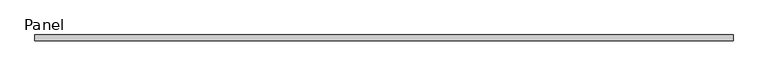
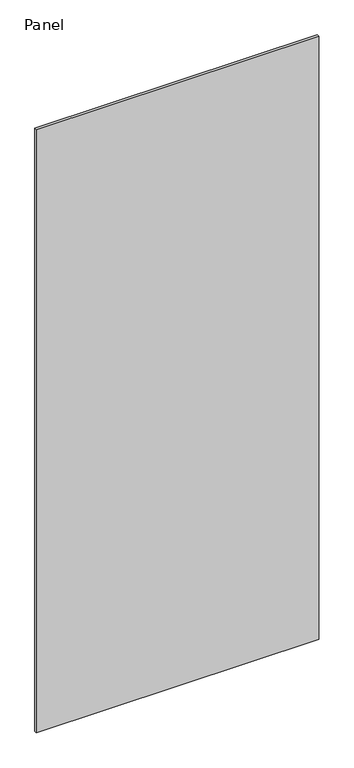
"""IFC4 building model written with IfcOpenShell, lengths in millimetres: plate geometry, Panel."""

from ifc_helpers import new_model, si_unit, frame, origin, place, context, project, spatial, polyline, outline, extrude, source, transform, mapped, element, save


def panel_8c8d845e(model_context):
    return source(origin(), model_context, "Body", "SweptSolid", [
        extrude(outline(polyline([(602.45625, 31.75), (-577.05625, 31.75), (-577.05625, 41.275), (602.45625, 41.275), (602.45625, 31.75)])), frame((0.0, 0.0, -25.4), z_axis=(0.0, 0.0, 1.0), x_axis=(1.0, 0.0, 0.0)), (0.0, 0.0, 1.0), 2663.825),
    ])


if __name__ == "__main__":
    model = new_model("IFC4")
    model_context = context("Model", 3, world=origin())
    ifc_project = project(units=[si_unit("LENGTHUNIT", "METRE", prefix="MILLI")], contexts=[model_context])
    site = spatial("IfcSite", under=ifc_project)
    building = spatial("IfcBuilding", under=site)
    placement = place(None, origin())
    panel_shape = panel_8c8d845e(model_context)
    element("IfcPlate", 1, ObjectType="Panel", at=placement, inside=building, context=model_context, shape_type="MappedRepresentation", body=[
        mapped(panel_shape, transform((0.0, 0.0, 0.0), x_axis=(1.0, 0.0, 0.0), y_axis=(0.0, 1.0, 0.0), z_axis=(0.0, 0.0, 1.0))),
    ])
    save(model, "model.ifc")
